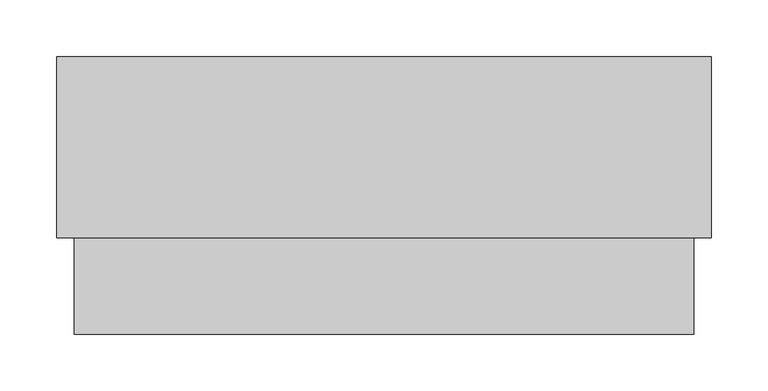
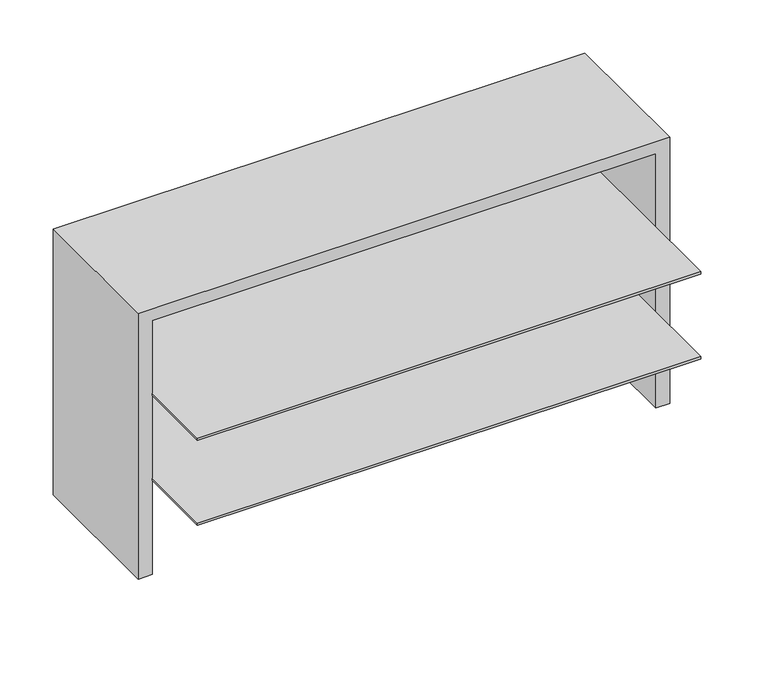
"""IFC4 building model written with IfcOpenShell, lengths in millimetres: furniture geometry."""

import ifcopenshell
import ifcopenshell.guid

model = None  # the IFC model being written
_history = None  # IfcOwnerHistory: only IFC2X3 demands one
_inside = {}  # id of a spatial element -> (the spatial element, [elements in it])
_under = {}  # id of a project, library or spatial element -> (it, [spatial elements below it])
_declared = {}  # id of a project -> (the project, [libraries it declares])
_typed = {}  # id of a type object -> (the type object, [elements of that type])
_made_of = {}  # id of a material, layer set ... -> (it, [elements and type objects made of it])


def new_model(schema):
    """Start an empty IFC model of exactly this schema.

    Asked for "IFC4X3", IfcOpenShell would pick the latest addendum, in which some entities
    have other attributes; the version numbers below select the first issue.
    IFC2X3 requires an IfcOwnerHistory on every rooted entity: one is made here for all.
    """
    global model, _history
    if schema == "IFC4X3":
        model = ifcopenshell.file(schema_version=(4, 3, 0, 0))
    else:
        model = ifcopenshell.file(schema=schema)
    _inside.clear()
    _under.clear()
    _declared.clear()
    _typed.clear()
    _made_of.clear()
    _history = None
    if model.schema == "IFC2X3":
        org = make("IfcOrganization", Name="unknown")
        user = make(
            "IfcPersonAndOrganization",
            ThePerson=make("IfcPerson", FamilyName="unknown"),
            TheOrganization=org,
        )
        app = make(
            "IfcApplication",
            ApplicationDeveloper=org,
            Version="unknown",
            ApplicationFullName="unknown",
            ApplicationIdentifier="unknown",
        )
        _history = make(
            "IfcOwnerHistory",
            OwningUser=user,
            OwningApplication=app,
            ChangeAction="ADDED",
            CreationDate=0,
        )
    return model


def make(cls, **values):
    """One entity of the class cls with the attributes given. An attribute that is None is left unset."""
    return model.create_entity(
        cls, **{name: value for name, value in values.items() if value is not None}
    )


def rooted(cls, **values):
    """An entity with a GlobalId (a new one), such as an element, a storey or a relation."""
    return make(cls, GlobalId=ifcopenshell.guid.new(), OwnerHistory=_history, **values)


def si_unit(unit_type, name, prefix=None):
    """IfcSIUnit, for example si_unit("LENGTHUNIT", "METRE", prefix="MILLI")."""
    return make("IfcSIUnit", UnitType=unit_type, Prefix=prefix, Name=name)


def assignment(units):
    """IfcUnitAssignment: the units of a project."""
    return None if units is None else make("IfcUnitAssignment", Units=units)


def point(xyz):
    """IfcCartesianPoint."""
    return None if xyz is None else make("IfcCartesianPoint", Coordinates=xyz)


def direction(xyz):
    """IfcDirection."""
    return None if xyz is None else make("IfcDirection", DirectionRatios=xyz)


def frame(location, z_axis=None, x_axis=None):
    """IfcAxis2Placement3D, a coordinate frame: its origin and axes. An axis left out is left unset."""
    return make(
        "IfcAxis2Placement3D",
        Location=point(location),
        Axis=direction(z_axis),
        RefDirection=direction(x_axis),
    )


def origin():
    """The frame at (0, 0, 0) with its axes left unset."""
    return frame((0.0, 0.0, 0.0))


def place(relative_to, where):
    """IfcLocalPlacement: puts the frame where relative to a parent placement (None: the world)."""
    return make(
        "IfcLocalPlacement", PlacementRelTo=relative_to, RelativePlacement=where
    )


def context(
    kind, dimensions, precision=None, world=None, true_north=None, identifier=None
):
    """IfcGeometricRepresentationContext, for example the 3D "Model" context."""
    return make(
        "IfcGeometricRepresentationContext",
        ContextIdentifier=identifier,
        ContextType=kind,
        CoordinateSpaceDimension=dimensions,
        Precision=precision,
        WorldCoordinateSystem=world,
        TrueNorth=true_north,
    )


def project(units=None, contexts=None):
    """IfcProject with its units and contexts."""
    return rooted(
        "IfcProject",
        Name="project",
        RepresentationContexts=contexts,
        UnitsInContext=assignment(units),
    )


def spatial(cls, under=None, at=None, **own):
    """A site, building, storey or space (cls), placed at a placement, below another one or the project."""
    s = rooted(cls, ObjectPlacement=at, **own)
    if under is not None:
        _under.setdefault(under.id(), (under, []))[1].append(s)
    return s


def polyline(points):
    """IfcPolyline through the points."""
    return make("IfcPolyline", Points=[point(p) for p in points])


def outline(outer, holes=None, kind="AREA"):
    """IfcArbitraryClosedProfileDef: a profile drawn as a closed curve; with holes, ...WithVoids."""
    if holes is None:
        return make("IfcArbitraryClosedProfileDef", ProfileType=kind, OuterCurve=outer)
    return make(
        "IfcArbitraryProfileDefWithVoids",
        ProfileType=kind,
        OuterCurve=outer,
        InnerCurves=holes,
    )


def extrude(swept, where, along, depth):
    """IfcExtrudedAreaSolid: the profile swept, set in the frame where, extruded along a direction by depth."""
    return make(
        "IfcExtrudedAreaSolid",
        SweptArea=swept,
        Position=where,
        ExtrudedDirection=direction(along),
        Depth=depth,
    )


def faces_of(points, faces, orient=None, outer=None):
    """IfcFace entities. A face is a list of loops; a loop is a list of indices into points, from 0.

    orient and outer hold one flag for each loop. By default every Orientation is true, the
    first loop of a face is its IfcFaceOuterBound and the others are IfcFaceBound.
    """
    made = []
    for i, loops in enumerate(faces):
        bounds = []
        for j, loop in enumerate(loops):
            is_outer = j == 0 if outer is None else outer[i][j]
            bounds.append(
                make(
                    "IfcFaceOuterBound" if is_outer else "IfcFaceBound",
                    Bound=make("IfcPolyLoop", Polygon=[points[k] for k in loop]),
                    Orientation=True if orient is None else orient[i][j],
                )
            )
        made.append(make("IfcFace", Bounds=bounds))
    return made


def faceted_brep(points, faces, orient=None, outer=None, voids=None):
    """IfcFacetedBrep: a solid bounded by flat faces; with voids (closed shells), ...WithVoids."""
    shared = [point(p) for p in points]
    hull = make("IfcClosedShell", CfsFaces=faces_of(shared, faces, orient, outer))
    if voids is None:
        return make("IfcFacetedBrep", Outer=hull)
    return make(
        "IfcFacetedBrepWithVoids",
        Outer=hull,
        Voids=[
            make(cls, CfsFaces=faces_of(shared, fs, o, b)) for cls, fs, o, b in voids
        ],
    )


def shape(context_of_items, identifier, shape_type, items):
    """IfcShapeRepresentation: the items that make up one representation, for example the "Body"."""
    return make(
        "IfcShapeRepresentation",
        ContextOfItems=context_of_items,
        RepresentationIdentifier=identifier,
        RepresentationType=shape_type,
        Items=items,
    )


def source(mapping_origin, context_of_items, identifier, shape_type, items):
    """IfcRepresentationMap: a shape defined once, which mapped items show again and again."""
    return make(
        "IfcRepresentationMap",
        MappingOrigin=mapping_origin,
        MappedRepresentation=shape(context_of_items, identifier, shape_type, items),
    )


def transform(
    local_origin,
    x_axis=None,
    y_axis=None,
    z_axis=None,
    scale=None,
    scale2=None,
    scale3=None,
    uniform=True,
):
    """IfcCartesianTransformationOperator3D, or its non-uniform kind. x_axis, y_axis, z_axis: its Axis1, 2, 3."""
    if uniform:
        return make(
            "IfcCartesianTransformationOperator3D",
            Axis1=direction(x_axis),
            Axis2=direction(y_axis),
            LocalOrigin=point(local_origin),
            Scale=scale,
            Axis3=direction(z_axis),
        )
    return make(
        "IfcCartesianTransformationOperator3DnonUniform",
        Axis1=direction(x_axis),
        Axis2=direction(y_axis),
        LocalOrigin=point(local_origin),
        Scale=scale,
        Axis3=direction(z_axis),
        Scale2=scale2,
        Scale3=scale3,
    )


def mapped(mapping_source, mapping_target):
    """IfcMappedItem: shows the shape of a source again, moved by a transform."""
    return make(
        "IfcMappedItem", MappingSource=mapping_source, MappingTarget=mapping_target
    )


def made_of(thing, what):
    """Note that an element or type object is made of a material, layer set ...; save() writes the relation."""
    if what is not None:
        _made_of.setdefault(what.id(), (what, []))[1].append(thing)
    return thing


def element(
    cls,
    number,
    at=None,
    inside=None,
    cuts=None,
    type_object=None,
    material=None,
    context=None,
    identifier="Body",
    shape_type=None,
    held_by="IfcProductDefinitionShape",
    body=None,
    shapes=None,
    **own,
):
    """One element of the class cls, such as IfcWall. Its Tag is "e" and its number.

    at: its placement. inside: the storey or other place that contains it. cuts: it is an
    opening in that element (IfcRelVoidsElement). A single representation is given by context,
    identifier, shape_type and body (its items); several are given by shapes. held_by: the class
    of the entity that holds the representations. save() writes the other relations.
    """
    e = rooted(cls, Tag="e%d" % number, ObjectPlacement=at, **own)
    if body is not None:
        shapes = [shape(context, identifier, shape_type, body)]
    if shapes is not None:
        e.Representation = make(held_by, Representations=shapes)
    if inside is not None:
        _inside.setdefault(inside.id(), (inside, []))[1].append(e)
    if cuts is not None:
        rooted(
            "IfcRelVoidsElement", RelatingBuildingElement=cuts, RelatedOpeningElement=e
        )
    if type_object is not None:
        _typed.setdefault(type_object.id(), (type_object, []))[1].append(e)
    return made_of(e, material)


def aggregate(whole, parts):
    """IfcRelAggregates: a whole, such as a stair, and the parts it consists of."""
    return rooted("IfcRelAggregates", RelatingObject=whole, RelatedObjects=parts)


def save(model, path):
    """Write the relations noted so far, then the file.

    IfcRelAggregates (storeys below a building ...), IfcRelContainedInSpatialStructure (elements
    in a storey), IfcRelDefinesByType, IfcRelAssociatesMaterial and IfcRelDeclares: one each for
    every whole, place, type object, material and project.
    """
    for whole, parts in _under.values():
        aggregate(whole, parts)
    for where, things in _inside.values():
        rooted(
            "IfcRelContainedInSpatialStructure",
            RelatedElements=things,
            RelatingStructure=where,
        )
    for kind, things in _typed.values():
        rooted("IfcRelDefinesByType", RelatedObjects=things, RelatingType=kind)
    for what, things in _made_of.values():
        rooted("IfcRelAssociatesMaterial", RelatedObjects=things, RelatingMaterial=what)
    for by, libraries in _declared.values():
        rooted("IfcRelDeclares", RelatingContext=by, RelatedDefinitions=libraries)
    model.write(path)


def furniture_4a2e57da(model_context):
    return source(origin(), model_context, "Body", "SolidModel", [
        extrude(outline(polyline([(579.628, -3.048), (579.628, -159.893), (567.309, -159.893), (567.309, -22.225), (16.891, -22.225), (16.891, -159.893), (4.572, -159.893), (4.572, -3.048), (579.628, -3.048)])), frame((0.0, 0.0, 730.25), z_axis=(0.0, 0.0, 1.0), x_axis=(1.0, 0.0, 0.0)), (0.0, 0.0, 1.0), 0.8128),
        extrude(outline(polyline([(565.785, -246.46382), (18.415, -246.46382), (18.415, -23.749), (565.785, -23.749), (565.785, -246.46382)])), frame((0.0, 0.0, 936.6588667), z_axis=(0.0, 0.0, 1.0), x_axis=(1.0, 0.0, 0.0)), (0.0, 0.0, 1.0), 2.54),
        extrude(outline(polyline([(565.785, -246.46382), (18.415, -246.46382), (18.415, -23.749), (565.785, -23.749), (565.785, -246.46382)])), frame((0.0, 0.0, 838.9789333), z_axis=(0.0, 0.0, 1.0), x_axis=(1.0, 0.0, 0.0)), (0.0, 0.0, 1.0), 2.54),
        faceted_brep([(581.152, -161.417, 1036.8788), (3.048, -161.417, 1036.8788), (3.048, -161.417, 731.0628), (18.415, -161.417, 731.0628), (18.415, -161.417, 1023.2898), (565.785, -161.417, 1023.2898), (565.785, -161.417, 731.0628), (581.152, -161.417, 731.0628), (581.152, -1.524, 1036.8788), (581.152, -1.524, 731.0628), (3.048, -1.524, 731.0628), (3.048, -1.524, 1036.8788), (565.785, -23.749, 731.0628), (18.415, -23.749, 731.0628), (565.785, -23.749, 1023.2898), (18.415, -23.749, 1023.2898)], [[[0, 1, 2, 3, 4, 5, 6, 7]], [[8, 9, 10, 11]], [[1, 0, 8, 11]], [[2, 1, 11, 10]], [[10, 9, 7, 6, 12, 13, 3, 2]], [[0, 7, 9, 8]], [[14, 15, 13, 12]], [[15, 14, 5, 4]], [[15, 4, 3, 13]], [[5, 14, 12, 6]]]),
    ])


if __name__ == "__main__":
    model = new_model("IFC4")
    model_context = context("Model", 3, world=origin())
    ifc_project = project(units=[si_unit("LENGTHUNIT", "METRE", prefix="MILLI")], contexts=[model_context])
    site = spatial("IfcSite", under=ifc_project)
    building = spatial("IfcBuilding", under=site)
    placement = place(None, origin())
    furniture_shape = furniture_4a2e57da(model_context)
    element("IfcFurniture", 1, at=placement, inside=building, context=model_context, shape_type="MappedRepresentation", body=[
        mapped(furniture_shape, transform((0.0, 0.0, 0.0), x_axis=(1.0, 0.0, 0.0), y_axis=(0.0, 1.0, 0.0), z_axis=(0.0, 0.0, 1.0))),
    ])
    save(model, "model.ifc")
